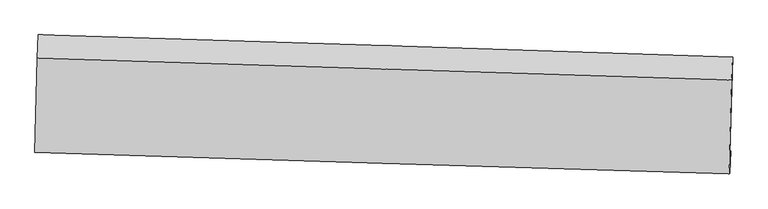
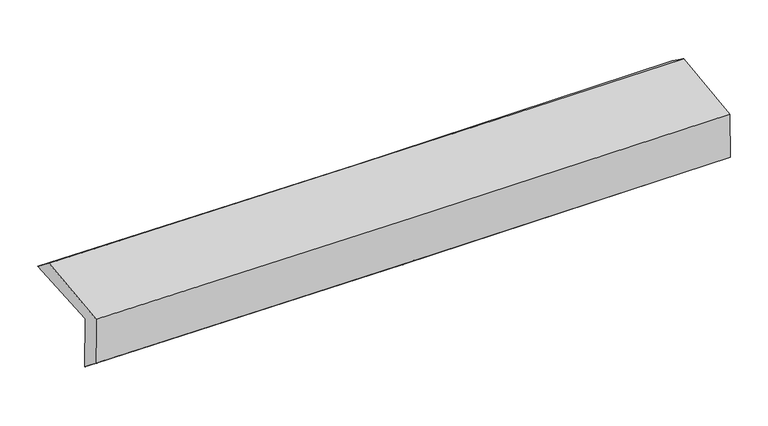
"""IFC4 building model written with IfcOpenShell, lengths in millimetres: proxy geometry."""

from ifc_helpers import new_model, si_unit, frame, origin, place, context, project, spatial, source, transform, mapped, element, save
from ifc_brep_helpers import plane_surface, spline_curve, spline_surface, advanced_brep


def generic_models_e4cbe24c(model_context):
    return source(origin(), model_context, "Body", "AdvancedBrep", [
        advanced_brep(
        [(-2435.5634879, -1719.9398088, 1995.5126612), (-2417.5566185, -1054.9938127, 2016.5988553), (2423.427959, -1209.1387815, 2102.9998729), (2404.7333956, -1876.5633036, 2081.8246753), (-2428.7329498, -1707.0961386, 1588.5936873), (2411.3899288, -1864.0346001, 1684.8902082), (-2435.3784383, -1871.5168077, 1721.1679515), (2404.9752342, -2020.6438465, 1807.7152348), (-2441.3718451, -1877.3269341, 2087.6785842), (2399.0747978, -2026.3749177, 2169.2194986), (-2424.0035938, -1217.0793167, 2140.7474039), (2416.9246924, -1371.0361532, 2221.9048343)],
        [
            (0, 1),
            (1, 2, spline_curve(3, [(-2417.5566185, -1054.9938127, 2016.5988553), (-1606.646811948, -1079.97746238, 2020.357133041), (-796.397836541, -1105.3600338, 2029.479302152), (817.254702424, -1156.747114909, 2058.352586312), (1620.667252827, -1182.746200017, 2078.03075644), (2423.427959, -1209.1387815, 2102.9998729)], [4, 2, 4], [0.0, 7.973444483096557, 15.892486845788724])),
            (2, 3),
            (3, 0, spline_curve(3, [(2404.7333956, -1876.5633036, 2081.8246753), (1602.106154591, -1849.100069438, 2056.891261578), (798.817481221, -1822.358693609, 2037.238370008), (-814.605694196, -1770.140910094, 2008.394897505), (-1624.749315373, -1744.674454187, 1999.277117298), (-2435.5634879, -1719.9398088, 1995.5126612)], [4, 2, 4], [0.0, 7.919042362692167, 15.892486845788724])),
            (4, 0),
            (3, 5),
            (5, 4, spline_curve(3, [(2411.3899288, -1864.0346001, 1684.8902082), (1602.131590549, -1836.409369574, 1661.477268905), (795.530420433, -1809.560650287, 1641.760861447), (-817.880506279, -1757.237124245, 1609.611058052), (-1624.653629015, -1731.773023028, 1597.228624979), (-2428.7329498, -1707.0961386, 1588.5936873)], [4, 2, 4], [0.0, 7.918503014874045, 15.891404444948797])),
            (6, 4),
            (5, 7),
            (7, 6, spline_curve(3, [(2404.9752342, -2020.6438465, 1807.7152348), (1602.101708479, -1997.237456767, 1792.621481785), (798.684771487, -1973.151881808, 1777.885790228), (-814.75896083, -1923.452232808, 1749.031759543), (-1624.793247801, -1897.828794695, 1734.918356425), (-2435.3784383, -1871.5168077, 1721.1679515)], [4, 2, 4], [0.0, 7.918237490908835, 15.890871572925757])),
            (8, 6),
            (7, 9),
            (9, 8, spline_curve(3, [(2399.0747978, -2026.3749177, 2169.2194986), (1596.267264232, -2002.902650779, 2149.973510729), (792.875741397, -1978.790567072, 2133.568941203), (-820.598421509, -1929.116727092, 2106.349462259), (-1630.689112966, -1903.546149264, 2095.573727143), (-2441.3718451, -1877.3269341, 2087.6785842)], [4, 2, 4], [0.0, 7.9180748506437935, 15.89054517509198])),
            (10, 8),
            (9, 11),
            (11, 10, spline_curve(3, [(2416.9246924, -1371.0361532, 2221.9048343), (1614.084253182, -1344.991698601, 2202.863766444), (810.636358794, -1319.182843449, 2186.593746057), (-802.998028576, -1267.860649979, 2159.503065499), (-1613.192896168, -1242.350559426, 2148.72060902), (-2424.0035938, -1217.0793167, 2140.7474039)], [4, 2, 4], [0.0, 7.9186275192056375, 15.89165430893])),
            (1, 10),
            (11, 2),
        ],
        [
            spline_surface(3, 3, [[(-2435.5634879, -1719.9398088, 1995.5126612), (-1624.749315486, -1744.674454257, 1999.277117402), (-814.605694241, -1770.140910004, 2008.394897417), (798.817481266, -1822.358693698, 2037.238370096), (1602.106154487, -1849.100069542, 2056.891261463), (2404.7333956, -1876.5633036, 2081.8246753)], [(-2429.561198113, -1498.29114343, 2002.541392569), (-1618.715147664, -1523.108790271, 2006.303789251), (-808.536408345, -1548.547284544, 2015.423032306), (804.963221673, -1600.488167443, 2044.276442168), (1608.293187268, -1626.98211298, 2063.937759774), (2410.964916732, -1654.088462888, 2088.883074504)], [(-2423.558908287, -1276.64247807, 2009.570123931), (-1612.680979803, -1301.543126296, 2013.330461093), (-802.467122474, -1326.95365916, 2022.451167229), (811.108962054, -1378.617641263, 2051.314514274), (1614.480220054, -1404.864156456, 2070.984258071), (2417.196437868, -1431.613622212, 2095.941473696)], [(-2417.5566185, -1054.9938127, 2016.5988553), (-1606.64681198, -1079.97746231, 2020.357132943), (-796.397836578, -1105.3600337, 2029.479302118), (817.254702461, -1156.747115008, 2058.352586345), (1620.667252835, -1182.746199894, 2078.030756381), (2423.427959, -1209.1387815, 2102.9998729)]], [4, 4], [4, 2, 4], [0.0, 2.184317852482959], [0.0, 7.973444483096557, 15.892486845788724]),
            spline_surface(3, 3, [[(-2428.7329498, -1707.0961386, 1588.5936873), (-1624.653628973, -1731.773022943, 1597.228625013), (-817.880506226, -1757.237124221, 1609.611057993), (795.530420381, -1809.56065031, 1641.760861505), (1602.131590523, -1836.409369513, 1661.477268835), (2411.3899288, -1864.0346001, 1684.8902082)], [(-2431.009795849, -1711.377362016, 1724.233345263), (-1624.685524493, -1736.073500063, 1731.244789139), (-816.788902247, -1761.538386164, 1742.539004463), (796.626107327, -1813.826664787, 1773.586697697), (1602.123111856, -1840.639602866, 1793.281933037), (2409.171084411, -1868.210834611, 1817.201697226)], [(-2433.286641851, -1715.658585384, 1859.873003237), (-1624.717419966, -1740.373977136, 1865.260953276), (-815.69729822, -1765.839648062, 1875.466950947), (797.72179432, -1818.09267922, 1905.412533904), (1602.114633155, -1844.869836188, 1925.086597261), (2406.952239989, -1872.387069089, 1949.513186274)], [(-2435.5634879, -1719.9398088, 1995.5126612), (-1624.749315486, -1744.674454257, 1999.277117402), (-814.605694241, -1770.140910004, 2008.394897417), (798.817481266, -1822.358693698, 2037.238370096), (1602.106154487, -1849.100069542, 2056.891261463), (2404.7333956, -1876.5633036, 2081.8246753)]], [4, 4], [4, 2, 4], [0.0, 1.3036859161815844], [0.0, 7.972901430074752, 15.891404444948797]),
            spline_surface(3, 3, [[(-2435.3784383, -1871.5168077, 1721.1679515), (-1624.793247877, -1897.828794734, 1734.918356408), (-814.758960805, -1923.452232739, 1749.031759418), (798.684771461, -1973.151881876, 1777.885790353), (1602.101708583, -1997.23745686, 1792.621481795), (2404.9752342, -2020.6438465, 1807.7152348)], [(-2433.163275465, -1816.70991797, 1676.976530105), (-1624.746708241, -1842.476870773, 1689.021779282), (-815.799475931, -1868.047196566, 1702.558192296), (797.633321116, -1918.621471354, 1732.51081409), (1602.111669234, -1943.628094418, 1748.90674415), (2407.113465738, -1968.440764373, 1766.773559275)], [(-2430.948112635, -1761.90302833, 1632.785108695), (-1624.700168609, -1787.124946903, 1643.12520214), (-816.8399911, -1812.642160394, 1656.084625115), (796.581870727, -1864.091060833, 1687.135837768), (1602.121629872, -1890.018731955, 1705.192006479), (2409.251697262, -1916.237682227, 1725.831883725)], [(-2428.7329498, -1707.0961386, 1588.5936873), (-1624.653628973, -1731.773022943, 1597.228625013), (-817.880506226, -1757.237124221, 1609.611057993), (795.530420381, -1809.56065031, 1641.760861505), (1602.131590523, -1836.409369513, 1661.477268835), (2411.3899288, -1864.0346001, 1684.8902082)]], [4, 4], [4, 2, 4], [0.0, 0.7051155500071888], [0.0, 7.972634082016922, 15.890871572925757]),
            spline_surface(3, 3, [[(-2441.3718451, -1877.3269341, 2087.6785842), (-1630.689113093, -1903.546149299, 2095.573727163), (-820.598421546, -1929.116726983, 2106.349462348), (792.875741434, -1978.79056718, 2133.568941114), (1596.267264184, -2002.902650704, 2149.973510725), (2399.0747978, -2026.3749177, 2169.2194986)], [(-2439.374042832, -1875.39022532, 1965.5083733), (-1628.723824687, -1901.640364464, 1975.355270244), (-818.651934644, -1927.228562228, 1987.243561376), (794.812084765, -1976.911005405, 2015.007890865), (1598.21207897, -2001.014252753, 2030.856167737), (2401.041609919, -2024.46456063, 2048.718077322)], [(-2437.376240568, -1873.45351648, 1843.3381624), (-1626.758536284, -1899.734579569, 1855.136813327), (-816.705447707, -1925.340397494, 1868.13766039), (796.74842813, -1975.031443651, 1896.446840602), (1600.156893798, -1999.125854812, 1911.738824783), (2403.008422081, -2022.55420357, 1928.216656078)], [(-2435.3784383, -1871.5168077, 1721.1679515), (-1624.793247877, -1897.828794734, 1734.918356408), (-814.758960805, -1923.452232739, 1749.031759418), (798.684771461, -1973.151881876, 1777.885790353), (1602.101708583, -1997.23745686, 1792.621481795), (2404.9752342, -2020.6438465, 1807.7152348)]], [4, 4], [4, 2, 4], [0.0, 1.1699424971080046], [0.0, 7.972470324448186, 15.89054517509198]),
            spline_surface(3, 3, [[(-2424.0035938, -1217.0793167, 2140.7474039), (-1613.192896043, -1242.350559412, 2148.720609003), (-802.998028492, -1267.860649889, 2159.503065484), (810.636358711, -1319.182843538, 2186.593746072), (1614.084253267, -1344.991698575, 2202.863766376), (2416.9246924, -1371.0361532, 2221.9048343)], [(-2429.793010893, -1437.161855829, 2123.057797334), (-1619.024968386, -1462.74908937, 2131.004981724), (-808.864826184, -1488.279342262, 2141.78519777), (804.716152945, -1539.052084761, 2168.918811084), (1608.145256935, -1564.295349283, 2185.233681154), (2410.974727563, -1589.482408032, 2204.343055728)], [(-2435.582428007, -1657.244394971, 2105.368190766), (-1624.857040751, -1683.147619342, 2113.289354443), (-814.731623854, -1708.69803461, 2124.067330062), (798.7959472, -1758.921325957, 2151.243876102), (1602.206260516, -1783.598999996, 2167.603595947), (2405.024762637, -1807.928662868, 2186.781277172)], [(-2441.3718451, -1877.3269341, 2087.6785842), (-1630.689113093, -1903.546149299, 2095.573727163), (-820.598421546, -1929.116726983, 2106.349462348), (792.875741434, -1978.79056718, 2133.568941114), (1596.267264184, -2002.902650704, 2149.973510725), (2399.0747978, -2026.3749177, 2169.2194986)]], [4, 4], [4, 2, 4], [0.0, 2.174552953748069], [0.0, 7.973026789724363, 15.89165430893]),
            spline_surface(3, 3, [[(-2417.5566185, -1054.9938127, 2016.5988553), (-1606.64681198, -1079.97746231, 2020.357132943), (-796.397836578, -1105.3600337, 2029.479302118), (817.254702461, -1156.747115008, 2058.352586345), (1620.667252835, -1182.746199894, 2078.030756381), (2423.427959, -1209.1387815, 2102.9998729)], [(-2419.705610247, -1109.022314036, 2057.98170483), (-1608.828839982, -1134.101828013, 2063.144958293), (-798.597900538, -1159.526905772, 2072.820556568), (815.048587889, -1210.89235786, 2101.099639582), (1618.472919616, -1236.828032788, 2119.641759723), (2421.260203437, -1263.104572067, 2142.634860044)], [(-2421.854602053, -1163.050815364, 2099.36455437), (-1611.010868042, -1188.226193709, 2105.932783653), (-800.797964532, -1213.693777817, 2116.161811035), (812.842473283, -1265.037600686, 2143.846692835), (1616.278586486, -1290.909865681, 2161.252763034), (2419.092447963, -1317.070362633, 2182.269847156)], [(-2424.0035938, -1217.0793167, 2140.7474039), (-1613.192896043, -1242.350559412, 2148.720609003), (-802.998028492, -1267.860649889, 2159.503065484), (810.636358711, -1319.182843538, 2186.593746072), (1614.084253267, -1344.991698575, 2202.863766376), (2416.9246924, -1371.0361532, 2221.9048343)]], [4, 4], [4, 2, 4], [0.0, 0.6812496723701547], [0.0, 7.973731821002606, 15.893059561119202]),
            plane_surface(frame((2410.087668, -1727.9652671, 2011.4257207), z_axis=(0.9994679886489324, -0.02849833316965721, 0.01586142088871735), x_axis=(0.016317676194734985, 0.01584929632107403, -0.9997412331447226))),
            plane_surface(frame((-2430.4344889, -1574.6588031, 1925.0498572), z_axis=(-0.9994932735538883, 0.027570913197584083, -0.01590725827991112), x_axis=(-0.027056683523893964, -0.9991316656207359, -0.031683601919952974))),
        ],
        [
            (0, [[1, 2, 3, 4]]),
            (1, [[5, -4, 6, 7]]),
            (2, [[8, -7, 9, 10]]),
            (3, [[11, -10, 12, 13]]),
            (4, [[14, -13, 15, 16]]),
            (5, [[17, -16, 18, -2]]),
            (6, [[-12, -9, -6, -3, -18, -15]]),
            (7, [[-1, -5, -8, -11, -14, -17]]),
        ],
    ),
    ])


if __name__ == "__main__":
    model = new_model("IFC4")
    model_context = context("Model", 3, world=origin())
    ifc_project = project(units=[si_unit("LENGTHUNIT", "METRE", prefix="MILLI")], contexts=[model_context])
    site = spatial("IfcSite", under=ifc_project)
    building = spatial("IfcBuilding", under=site)
    placement = place(None, origin())
    generic_models_shape = generic_models_e4cbe24c(model_context)
    element("IfcBuildingElementProxy", 1, Name="Generic Models", at=placement, inside=building, context=model_context, shape_type="MappedRepresentation", body=[
        mapped(generic_models_shape, transform((0.0, 0.0, 0.0), x_axis=(1.0, 0.0, 0.0), y_axis=(0.0, 1.0, 0.0), z_axis=(0.0, 0.0, 1.0))),
    ])
    save(model, "model.ifc")
